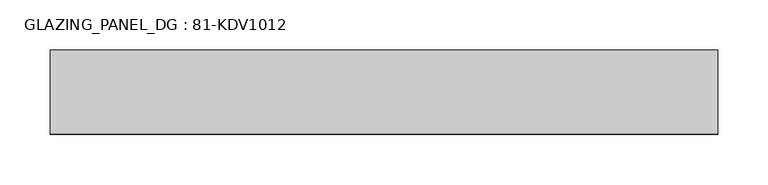
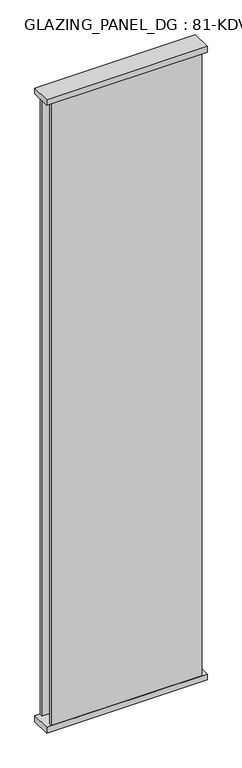
"""IFC4 building model written with IfcOpenShell, lengths in millimetres: plate geometry, GLAZING_PANEL_DG : 81-KDV1012."""

from ifc_helpers import new_model, si_unit, frame, origin, origin_with_axes, place, context, project, spatial, polyline, outline, extrude, source, transform, mapped, element, save


def glazing_panel_dg_81_kdv1012_afd8aa48(model_context):
    return source(origin(), model_context, "Body", "SweptSolid", [
        extrude(outline(polyline([(310.2, -39.5), (-310.2, -39.5), (-310.2, -29.5), (310.2, -29.5), (310.2, -39.5)])), frame((0.0, 0.0, 12.0), z_axis=(0.0, 0.0, 1.0), x_axis=(1.0, 0.0, 0.0)), (0.0, 0.0, 1.0), 2730.0),
        extrude(outline(polyline([(310.2, 27.5), (-310.2, 27.5), (-310.2, 39.5), (310.2, 39.5), (310.2, 27.5)])), frame((0.0, 0.0, 12.0), z_axis=(0.0, 0.0, 1.0), x_axis=(1.0, 0.0, 0.0)), (0.0, 0.0, 1.0), 2730.0),
        extrude(outline(polyline([(330.2, 41.5), (330.2, -41.5), (-330.2, -41.5), (-330.2, 41.5), (330.2, 41.5)])), frame((0.0, 0.0, 2730.0), z_axis=(0.0, 0.0, 1.0), x_axis=(1.0, 0.0, 0.0)), (0.0, 0.0, 1.0), 25.0),
        extrude(outline(polyline([(330.2, -41.5), (-330.2, -41.5), (-330.2, 41.5), (330.2, 41.5), (330.2, -41.5)])), origin_with_axes(), (0.0, 0.0, 1.0), 25.0),
    ])


if __name__ == "__main__":
    model = new_model("IFC4")
    model_context = context("Model", 3, world=origin())
    ifc_project = project(units=[si_unit("LENGTHUNIT", "METRE", prefix="MILLI")], contexts=[model_context])
    site = spatial("IfcSite", under=ifc_project)
    building = spatial("IfcBuilding", under=site)
    placement = place(None, origin())
    glazing_panel_dg_81_kdv1012_shape = glazing_panel_dg_81_kdv1012_afd8aa48(model_context)
    element("IfcPlate", 1, ObjectType="GLAZING_PANEL_DG : 81-KDV1012", at=placement, inside=building, context=model_context, shape_type="MappedRepresentation", body=[
        mapped(glazing_panel_dg_81_kdv1012_shape, transform((0.0, 0.0, 0.0), x_axis=(1.0, 0.0, 0.0), y_axis=(0.0, 1.0, 0.0), z_axis=(0.0, 0.0, 1.0))),
    ])
    save(model, "model.ifc")
